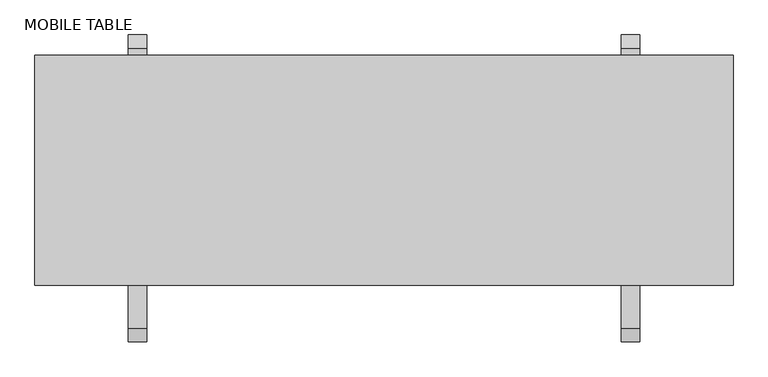
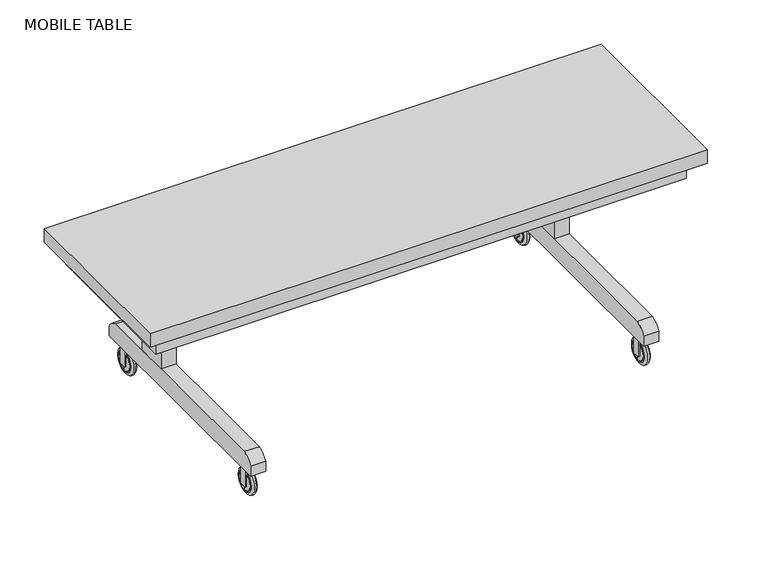
"""IFC4 building model written with IfcOpenShell, lengths in millimetres: proxy geometry, MOBILE TABLE."""

from ifc_helpers import new_model, si_unit, point, frame, frame_2d, origin, place, context, project, spatial, polyline, circle_curve, ellipse_curve, trimmed, segment, composite_curve, outline, extrude, source, transform, mapped, element, save
from ifc_brep_helpers import plane_surface, revolved_surface, advanced_brep


def mobile_table_4cd236bb(model_context):
    return source(origin(), model_context, "Body", "SolidModel", [
        extrude(outline(polyline([(284.5246761, -5.5939824), (284.5246761, -132.5939824), (226.5605315, -132.5939824), (226.5605315, -5.5939824), (284.5246761, -5.5939824)])), frame((0.0, 0.0, 196.9224342), z_axis=(0.0, 0.0, 1.0), x_axis=(1.0, 0.0, 0.0)), (0.0, 0.0, 1.0), 371.1429789),
        extrude(outline(polyline([(1808.5781928, -5.5939824), (1808.5781928, -132.5939824), (1750.6140482, -132.5939824), (1750.6140482, -5.5939824), (1808.5781928, -5.5939824)])), frame((0.0, 0.0, 196.9224342), z_axis=(0.0, 0.0, 1.0), x_axis=(1.0, 0.0, 0.0)), (0.0, 0.0, 1.0), 371.1429789),
        extrude(outline(composite_curve([segment(polyline([(216.0169439, 120.7224342), (-733.4720269, 120.7224342), (-733.4720269, 161.9653123)]), True, "CONTINUOUS"), segment(trimmed(circle_curve(frame_2d((-668.627118, 126.366821)), 73.973744), [point((-733.4720269, 161.9653123))], [point((-690.8536842, 196.9224342))], False, "CARTESIAN"), True, "CONTINUOUS"), segment(polyline([(-690.8536842, 196.9224342), (173.3986011, 196.9224342)]), True, "CONTINUOUS"), segment(trimmed(circle_curve(frame_2d((151.1720349, 126.366821)), 73.973744), [point((173.3986011, 196.9224342))], [point((216.0169439, 161.9653123))], False, "CARTESIAN"), True, "CONTINUOUS"), segment(polyline([(216.0169439, 161.9653123), (216.0169439, 120.7224342)]), True, "CONTINUOUS")], self_intersect=False)), frame((226.5605315, 0.0, 0.0), z_axis=(1.0, 0.0, 0.0), x_axis=(0.0, 1.0, 0.0)), (0.0, 0.0, 1.0), 57.9641446),
        extrude(outline(composite_curve([segment(polyline([(216.0169439, 120.7224342), (-733.4720269, 120.7224342), (-733.4720269, 161.9653123)]), True, "CONTINUOUS"), segment(trimmed(circle_curve(frame_2d((-668.627118, 126.366821)), 73.973744), [point((-733.4720269, 161.9653123))], [point((-690.8536842, 196.9224342))], False, "CARTESIAN"), True, "CONTINUOUS"), segment(polyline([(-690.8536842, 196.9224342), (173.3986011, 196.9224342)]), True, "CONTINUOUS"), segment(trimmed(circle_curve(frame_2d((151.1720349, 126.366821)), 73.973744), [point((173.3986011, 196.9224342))], [point((216.0169439, 161.9653123))], False, "CARTESIAN"), True, "CONTINUOUS"), segment(polyline([(216.0169439, 161.9653123), (216.0169439, 120.7224342)]), True, "CONTINUOUS")], self_intersect=False)), frame((1750.6140482, 0.0, 0.0), z_axis=(1.0, 0.0, 0.0), x_axis=(0.0, 1.0, 0.0)), (0.0, 0.0, 1.0), 57.9641446),
        extrude(outline(polyline([(2046.2693622, 101.7169439), (2046.2693622, -507.8830561), (-11.1306378, -507.8830561), (-11.1306378, 101.7169439), (2046.2693622, 101.7169439)])), frame((0.0, 0.0, 568.0654131), z_axis=(0.0, 0.0, 1.0), x_axis=(1.0, 0.0, 0.0)), (0.0, 0.0, 1.0), 76.2),
        extrude(outline(composite_curve([segment(polyline([(40.4886322, 1759.9334156), (40.4886322, 1766.2834156), (90.7346928, 1766.2834156)]), True, "CONTINUOUS"), segment(trimmed(circle_curve(frame_2d((90.7346928, 1767.7205501)), 1.4371345), [point((90.7346928, 1766.2834156))], [point((92.1718273, 1767.7205501))], True, "CARTESIAN"), True, "CONTINUOUS"), segment(trimmed(circle_curve(frame_2d((95.1971093, 1780.0019459)), 12.6485183), [point((92.1718273, 1767.7205501))], [point((107.8391155, 1779.5961205))], True, "CARTESIAN"), True, "CONTINUOUS"), segment(trimmed(circle_curve(frame_2d((95.3224342, 1776.0070199)), 13.0210965), [point((107.8391155, 1779.5961205))], [point((95.3224342, 1789.0281164))], True, "CARTESIAN"), True, "CONTINUOUS"), segment(polyline([(95.3224342, 1789.0281164), (40.4886322, 1789.0281164), (40.4886322, 1798.0334156), (120.7224342, 1798.0334156), (120.7224342, 1759.9334156), (40.4886322, 1759.9334156)]), True, "CONTINUOUS")], self_intersect=False)), frame((0.0, -679.3330561, 0.0), z_axis=(0.0, 1.0, 0.0), x_axis=(0.0, 0.0, 1.0)), (0.0, 0.0, 1.0), 30.1894562),
        advanced_brep(
        [(1767.7205501, -665.8414299, 13.5564837), (1767.7205501, -665.8414299, 95.7752557), (1767.7205501, -665.8414299, 92.1718273), (1767.7205501, -665.8414299, 17.1599122), (1774.2176202, -665.8414299, 2.6028962), (1774.2176202, -665.8414299, 106.7288433), (1782.2473592, -665.8414299, 2.6028962), (1782.2473592, -665.8414299, 106.7288433), (1766.2834156, -665.8414299, 18.5970467), (1766.2834156, -665.8414299, 90.7346928), (1766.2834156, -665.8414299, 54.6658697), (1788.7444294, -665.8414299, 13.5564837), (1788.7444294, -665.8414299, 95.7752557), (1788.7444294, -665.8414299, 54.6658697)],
        [
            (0, 1, circle_curve(frame((1767.7205501, -665.8414299, 54.6658697), z_axis=(-1.0, 0.0, 0.0), x_axis=(0.0, 0.0, 1.0)), 41.109386)),
            (1, 2),
            (2, 3, circle_curve(frame((1767.7205501, -665.8414299, 54.6658697), z_axis=(1.0, 0.0, 0.0), x_axis=(0.0, 0.0, 1.0)), 37.5059576)),
            (3, 0),
            (1, 0, circle_curve(frame((1767.7205501, -665.8414299, 54.6658697), z_axis=(-1.0, 0.0, 0.0), x_axis=(0.0, 0.0, 1.0)), 41.109386)),
            (3, 2, circle_curve(frame((1767.7205501, -665.8414299, 54.6658697), z_axis=(1.0, 0.0, 0.0), x_axis=(0.0, 0.0, 1.0)), 37.5059576)),
            (4, 5, circle_curve(frame((1774.2176202, -665.8414299, 54.6658697), z_axis=(-1.0, 0.0, 0.0), x_axis=(0.0, 0.0, 1.0)), 52.0629735)),
            (5, 1, circle_curve(frame((1780.202561, -665.8414299, 95.7752557), z_axis=(0.0, -1.0, 0.0), x_axis=(-1.0, 0.0, 0.0)), 12.4820108)),
            (0, 4, circle_curve(frame((1780.202561, -665.8414299, 13.5564837), z_axis=(0.0, -1.0, 0.0), x_axis=(-1.0, 0.0, 0.0)), 12.4820108)),
            (5, 4, circle_curve(frame((1774.2176202, -665.8414299, 54.6658697), z_axis=(-1.0, 0.0, 0.0), x_axis=(0.0, 0.0, 1.0)), 52.0629735)),
            (6, 7, circle_curve(frame((1782.2473592, -665.8414299, 54.6658697), z_axis=(-1.0, 0.0, 0.0), x_axis=(0.0, 0.0, 1.0)), 52.0629735)),
            (7, 5, circle_curve(frame((1778.2324897, -665.8414299, 98.8982307), z_axis=(0.0, -1.0, 0.0), x_axis=(-1.0, 0.0, 0.0)), 8.7998676)),
            (4, 6, circle_curve(frame((1778.2324897, -665.8414299, 10.4335088), z_axis=(0.0, -1.0, 0.0), x_axis=(-1.0, 0.0, 0.0)), 8.7998676)),
            (7, 6, circle_curve(frame((1782.2473592, -665.8414299, 54.6658697), z_axis=(-1.0, 0.0, 0.0), x_axis=(0.0, 0.0, 1.0)), 52.0629735)),
            (8, 9, circle_curve(frame((1766.2834156, -665.8414299, 54.6658697), z_axis=(-1.0, 0.0, 0.0), x_axis=(0.0, 0.0, 1.0)), 36.068823)),
            (9, 10),
            (10, 8),
            (9, 8, circle_curve(frame((1766.2834156, -665.8414299, 54.6658697), z_axis=(-1.0, 0.0, 0.0), x_axis=(0.0, 0.0, 1.0)), 36.068823)),
            (2, 9, circle_curve(frame((1768.5698615, -665.8414299, 89.8853814), z_axis=(0.0, -1.0, 0.0), x_axis=(-1.0, 0.0, 0.0)), 2.4390909)),
            (8, 3, circle_curve(frame((1768.5698615, -665.8414299, 19.446358), z_axis=(0.0, -1.0, 0.0), x_axis=(-1.0, 0.0, 0.0)), 2.4390909)),
            (11, 12, circle_curve(frame((1788.7444294, -665.8414299, 54.6658697), z_axis=(-1.0, 0.0, 0.0), x_axis=(0.0, 0.0, 1.0)), 41.109386)),
            (12, 7, circle_curve(frame((1776.2624185, -665.8414299, 95.7752557), z_axis=(0.0, -1.0, 0.0), x_axis=(-1.0, 0.0, 0.0)), 12.4820108)),
            (6, 11, circle_curve(frame((1776.2624185, -665.8414299, 13.5564837), z_axis=(0.0, -1.0, 0.0), x_axis=(-1.0, 0.0, 0.0)), 12.4820108)),
            (12, 11, circle_curve(frame((1788.7444294, -665.8414299, 54.6658697), z_axis=(-1.0, 0.0, 0.0), x_axis=(0.0, 0.0, 1.0)), 41.109386)),
            (13, 12),
            (11, 13),
        ],
        [
            plane_surface(frame((1767.7205501, -665.8414299, 54.6658697), z_axis=(-1.0, 0.0, 0.0), x_axis=(0.0, 0.0, 1.0))),
            revolved_surface(trimmed(ellipse_curve(frame((1780.202561, -665.8414299, 95.7752557), z_axis=(0.0, 1.0, 0.0), x_axis=(-1.0, 0.0, 0.0)), 12.4820108, 12.4820108), [point((1767.7205501, -665.8414299, 95.7752557))], [point((1774.2176202, -665.8414299, 106.7288433))], True, "CARTESIAN"), (1785.5276168, -665.8414299, 54.6658697), (1.0, 0.0, 0.0)),
            revolved_surface(trimmed(ellipse_curve(frame((1778.2324897, -665.8414299, 98.8982307), z_axis=(0.0, 1.0, 0.0), x_axis=(-1.0, 0.0, 0.0)), 8.7998676, 8.7998676), [point((1774.2176202, -665.8414299, 106.7288433))], [point((1782.2473592, -665.8414299, 106.7288433))], True, "CARTESIAN"), (1785.5276168, -665.8414299, 54.6658697), (1.0, 0.0, 0.0)),
            plane_surface(frame((1766.2834156, -665.8414299, 54.6658697), z_axis=(-1.0, 0.0, 0.0), x_axis=(0.0, 0.0, 1.0))),
            revolved_surface(trimmed(ellipse_curve(frame((1768.5698615, -665.8414299, 89.8853814), z_axis=(0.0, 1.0, 0.0), x_axis=(-1.0, 0.0, 0.0)), 2.4390909, 2.4390909), [point((1766.2834156, -665.8414299, 90.7346928))], [point((1767.7205501, -665.8414299, 92.1718273))], True, "CARTESIAN"), (1785.5276168, -665.8414299, 54.6658697), (1.0, 0.0, 0.0)),
            revolved_surface(trimmed(ellipse_curve(frame((1776.2624185, -665.8414299, 95.7752557), z_axis=(0.0, 1.0, 0.0), x_axis=(-1.0, 0.0, 0.0)), 12.4820108, 12.4820108), [point((1782.2473592, -665.8414299, 106.7288433))], [point((1788.7444294, -665.8414299, 95.7752557))], True, "CARTESIAN"), (1785.5276168, -665.8414299, 54.6658697), (1.0, 0.0, 0.0)),
            plane_surface(frame((1788.7444294, -665.8414299, 54.6658697), z_axis=(1.0, 0.0, 0.0), x_axis=(0.0, 0.0, 1.0))),
        ],
        [
            (0, [[1, 2, 3, 4]]),
            (0, [[5, -4, 6, -2]]),
            (1, [[7, 8, -1, 9]]),
            (1, [[10, -9, -5, -8]]),
            (2, [[11, 12, -7, 13]]),
            (2, [[14, -13, -10, -12]]),
            (3, [[15, 16, 17]]),
            (3, [[18, -17, -16]]),
            (4, [[-3, 19, -15, 20]]),
            (4, [[-6, -20, -18, -19]]),
            (5, [[21, 22, -11, 23]]),
            (5, [[24, -23, -14, -22]]),
            (6, [[25, -21, 26]]),
            (6, [[-26, -24, -25]]),
        ],
    ),
        extrude(outline(composite_curve([segment(polyline([(40.4886322, 1759.9334156), (40.4886322, 1766.2834156), (90.7346928, 1766.2834156)]), True, "CONTINUOUS"), segment(trimmed(circle_curve(frame_2d((90.7346928, 1767.7205501)), 1.4371345), [point((90.7346928, 1766.2834156))], [point((92.1718273, 1767.7205501))], True, "CARTESIAN"), True, "CONTINUOUS"), segment(trimmed(circle_curve(frame_2d((95.1971093, 1780.0019459)), 12.6485183), [point((92.1718273, 1767.7205501))], [point((107.8391155, 1779.5961205))], True, "CARTESIAN"), True, "CONTINUOUS"), segment(trimmed(circle_curve(frame_2d((95.3224342, 1776.0070199)), 13.0210965), [point((107.8391155, 1779.5961205))], [point((95.3224342, 1789.0281164))], True, "CARTESIAN"), True, "CONTINUOUS"), segment(polyline([(95.3224342, 1789.0281164), (40.4886322, 1789.0281164), (40.4886322, 1798.0334156), (120.7224342, 1798.0334156), (120.7224342, 1759.9334156), (40.4886322, 1759.9334156)]), True, "CONTINUOUS")], self_intersect=False)), frame((0.0, 129.8981041, 0.0), z_axis=(0.0, 1.0, 0.0), x_axis=(0.0, 0.0, 1.0)), (0.0, 0.0, 1.0), 30.1894562),
        advanced_brep(
        [(1767.7205501, 143.3897303, 13.5564837), (1767.7205501, 143.3897303, 95.7752557), (1767.7205501, 143.3897303, 92.1718273), (1767.7205501, 143.3897303, 17.1599122), (1774.2176202, 143.3897303, 2.6028962), (1774.2176202, 143.3897303, 106.7288433), (1782.2473592, 143.3897303, 2.6028962), (1782.2473592, 143.3897303, 106.7288433), (1766.2834156, 143.3897303, 18.5970467), (1766.2834156, 143.3897303, 90.7346928), (1766.2834156, 143.3897303, 54.6658697), (1788.7444294, 143.3897303, 13.5564837), (1788.7444294, 143.3897303, 95.7752557), (1788.7444294, 143.3897303, 54.6658697)],
        [
            (0, 1, circle_curve(frame((1767.7205501, 143.3897303, 54.6658697), z_axis=(-1.0, 0.0, 0.0), x_axis=(0.0, 0.0, 1.0)), 41.109386)),
            (1, 2),
            (2, 3, circle_curve(frame((1767.7205501, 143.3897303, 54.6658697), z_axis=(1.0, 0.0, 0.0), x_axis=(0.0, 0.0, 1.0)), 37.5059576)),
            (3, 0),
            (1, 0, circle_curve(frame((1767.7205501, 143.3897303, 54.6658697), z_axis=(-1.0, 0.0, 0.0), x_axis=(0.0, 0.0, 1.0)), 41.109386)),
            (3, 2, circle_curve(frame((1767.7205501, 143.3897303, 54.6658697), z_axis=(1.0, 0.0, 0.0), x_axis=(0.0, 0.0, 1.0)), 37.5059576)),
            (4, 5, circle_curve(frame((1774.2176202, 143.3897303, 54.6658697), z_axis=(-1.0, 0.0, 0.0), x_axis=(0.0, 0.0, 1.0)), 52.0629735)),
            (5, 1, circle_curve(frame((1780.202561, 143.3897303, 95.7752557), z_axis=(0.0, -1.0, 0.0), x_axis=(-1.0, 0.0, 0.0)), 12.4820108)),
            (0, 4, circle_curve(frame((1780.202561, 143.3897303, 13.5564837), z_axis=(0.0, -1.0, 0.0), x_axis=(-1.0, 0.0, 0.0)), 12.4820108)),
            (5, 4, circle_curve(frame((1774.2176202, 143.3897303, 54.6658697), z_axis=(-1.0, 0.0, 0.0), x_axis=(0.0, 0.0, 1.0)), 52.0629735)),
            (6, 7, circle_curve(frame((1782.2473592, 143.3897303, 54.6658697), z_axis=(-1.0, 0.0, 0.0), x_axis=(0.0, 0.0, 1.0)), 52.0629735)),
            (7, 5, circle_curve(frame((1778.2324897, 143.3897303, 98.8982307), z_axis=(0.0, -1.0, 0.0), x_axis=(-1.0, 0.0, 0.0)), 8.7998676)),
            (4, 6, circle_curve(frame((1778.2324897, 143.3897303, 10.4335088), z_axis=(0.0, -1.0, 0.0), x_axis=(-1.0, 0.0, 0.0)), 8.7998676)),
            (7, 6, circle_curve(frame((1782.2473592, 143.3897303, 54.6658697), z_axis=(-1.0, 0.0, 0.0), x_axis=(0.0, 0.0, 1.0)), 52.0629735)),
            (8, 9, circle_curve(frame((1766.2834156, 143.3897303, 54.6658697), z_axis=(-1.0, 0.0, 0.0), x_axis=(0.0, 0.0, 1.0)), 36.068823)),
            (9, 10),
            (10, 8),
            (9, 8, circle_curve(frame((1766.2834156, 143.3897303, 54.6658697), z_axis=(-1.0, 0.0, 0.0), x_axis=(0.0, 0.0, 1.0)), 36.068823)),
            (2, 9, circle_curve(frame((1768.5698615, 143.3897303, 89.8853814), z_axis=(0.0, -1.0, 0.0), x_axis=(-1.0, 0.0, 0.0)), 2.4390909)),
            (8, 3, circle_curve(frame((1768.5698615, 143.3897303, 19.446358), z_axis=(0.0, -1.0, 0.0), x_axis=(-1.0, 0.0, 0.0)), 2.4390909)),
            (11, 12, circle_curve(frame((1788.7444294, 143.3897303, 54.6658697), z_axis=(-1.0, 0.0, 0.0), x_axis=(0.0, 0.0, 1.0)), 41.109386)),
            (12, 7, circle_curve(frame((1776.2624185, 143.3897303, 95.7752557), z_axis=(0.0, -1.0, 0.0), x_axis=(-1.0, 0.0, 0.0)), 12.4820108)),
            (6, 11, circle_curve(frame((1776.2624185, 143.3897303, 13.5564837), z_axis=(0.0, -1.0, 0.0), x_axis=(-1.0, 0.0, 0.0)), 12.4820108)),
            (12, 11, circle_curve(frame((1788.7444294, 143.3897303, 54.6658697), z_axis=(-1.0, 0.0, 0.0), x_axis=(0.0, 0.0, 1.0)), 41.109386)),
            (13, 12),
            (11, 13),
        ],
        [
            plane_surface(frame((1767.7205501, 143.3897303, 54.6658697), z_axis=(-1.0, 0.0, 0.0), x_axis=(0.0, 0.0, 1.0))),
            revolved_surface(trimmed(ellipse_curve(frame((1780.202561, 143.3897303, 95.7752557), z_axis=(0.0, 1.0, 0.0), x_axis=(-1.0, 0.0, 0.0)), 12.4820108, 12.4820108), [point((1767.7205501, 143.3897303, 95.7752557))], [point((1774.2176202, 143.3897303, 106.7288433))], True, "CARTESIAN"), (1785.5276168, 143.3897303, 54.6658697), (1.0, 0.0, 0.0)),
            revolved_surface(trimmed(ellipse_curve(frame((1778.2324897, 143.3897303, 98.8982307), z_axis=(0.0, 1.0, 0.0), x_axis=(-1.0, 0.0, 0.0)), 8.7998676, 8.7998676), [point((1774.2176202, 143.3897303, 106.7288433))], [point((1782.2473592, 143.3897303, 106.7288433))], True, "CARTESIAN"), (1785.5276168, 143.3897303, 54.6658697), (1.0, 0.0, 0.0)),
            plane_surface(frame((1766.2834156, 143.3897303, 54.6658697), z_axis=(-1.0, 0.0, 0.0), x_axis=(0.0, 0.0, 1.0))),
            revolved_surface(trimmed(ellipse_curve(frame((1768.5698615, 143.3897303, 89.8853814), z_axis=(0.0, 1.0, 0.0), x_axis=(-1.0, 0.0, 0.0)), 2.4390909, 2.4390909), [point((1766.2834156, 143.3897303, 90.7346928))], [point((1767.7205501, 143.3897303, 92.1718273))], True, "CARTESIAN"), (1785.5276168, 143.3897303, 54.6658697), (1.0, 0.0, 0.0)),
            revolved_surface(trimmed(ellipse_curve(frame((1776.2624185, 143.3897303, 95.7752557), z_axis=(0.0, 1.0, 0.0), x_axis=(-1.0, 0.0, 0.0)), 12.4820108, 12.4820108), [point((1782.2473592, 143.3897303, 106.7288433))], [point((1788.7444294, 143.3897303, 95.7752557))], True, "CARTESIAN"), (1785.5276168, 143.3897303, 54.6658697), (1.0, 0.0, 0.0)),
            plane_surface(frame((1788.7444294, 143.3897303, 54.6658697), z_axis=(1.0, 0.0, 0.0), x_axis=(0.0, 0.0, 1.0))),
        ],
        [
            (0, [[1, 2, 3, 4]]),
            (0, [[5, -4, 6, -2]]),
            (1, [[7, 8, -1, 9]]),
            (1, [[10, -9, -5, -8]]),
            (2, [[11, 12, -7, 13]]),
            (2, [[14, -13, -10, -12]]),
            (3, [[15, 16, 17]]),
            (3, [[18, -17, -16]]),
            (4, [[-3, 19, -15, 20]]),
            (4, [[-6, -20, -18, -19]]),
            (5, [[21, 22, -11, 23]]),
            (5, [[24, -23, -14, -22]]),
            (6, [[25, -21, 26]]),
            (6, [[-26, -24, -25]]),
        ],
    ),
        extrude(outline(composite_curve([segment(polyline([(40.4886322, 235.8798989), (40.4886322, 242.2298989), (90.7346928, 242.2298989)]), True, "CONTINUOUS"), segment(trimmed(circle_curve(frame_2d((90.7346928, 243.6670335)), 1.4371345), [point((90.7346928, 242.2298989))], [point((92.1718273, 243.6670335))], True, "CARTESIAN"), True, "CONTINUOUS"), segment(trimmed(circle_curve(frame_2d((95.1971093, 255.9484293)), 12.6485183), [point((92.1718273, 243.6670335))], [point((107.8391155, 255.5426038))], True, "CARTESIAN"), True, "CONTINUOUS"), segment(trimmed(circle_curve(frame_2d((95.3224342, 251.9535032)), 13.0210965), [point((107.8391155, 255.5426038))], [point((95.3224342, 264.9745997))], True, "CARTESIAN"), True, "CONTINUOUS"), segment(polyline([(95.3224342, 264.9745997), (40.4886322, 264.9745997), (40.4886322, 273.9798989), (120.7224342, 273.9798989), (120.7224342, 235.8798989), (40.4886322, 235.8798989)]), True, "CONTINUOUS")], self_intersect=False)), frame((0.0, -679.3330561, 0.0), z_axis=(0.0, 1.0, 0.0), x_axis=(0.0, 0.0, 1.0)), (0.0, 0.0, 1.0), 30.1894562),
        advanced_brep(
        [(243.6670335, -665.8414299, 13.5564837), (243.6670335, -665.8414299, 95.7752557), (243.6670335, -665.8414299, 92.1718273), (243.6670335, -665.8414299, 17.1599122), (250.1641036, -665.8414299, 2.6028962), (250.1641036, -665.8414299, 106.7288433), (258.1938426, -665.8414299, 2.6028962), (258.1938426, -665.8414299, 106.7288433), (242.2298989, -665.8414299, 18.5970467), (242.2298989, -665.8414299, 90.7346928), (242.2298989, -665.8414299, 54.6658697), (264.6909127, -665.8414299, 13.5564837), (264.6909127, -665.8414299, 95.7752557), (264.6909127, -665.8414299, 54.6658697)],
        [
            (0, 1, circle_curve(frame((243.6670335, -665.8414299, 54.6658697), z_axis=(-1.0, 0.0, 0.0), x_axis=(0.0, 0.0, 1.0)), 41.109386)),
            (1, 2),
            (2, 3, circle_curve(frame((243.6670335, -665.8414299, 54.6658697), z_axis=(1.0, 0.0, 0.0), x_axis=(0.0, 0.0, 1.0)), 37.5059576)),
            (3, 0),
            (1, 0, circle_curve(frame((243.6670335, -665.8414299, 54.6658697), z_axis=(-1.0, 0.0, 0.0), x_axis=(0.0, 0.0, 1.0)), 41.109386)),
            (3, 2, circle_curve(frame((243.6670335, -665.8414299, 54.6658697), z_axis=(1.0, 0.0, 0.0), x_axis=(0.0, 0.0, 1.0)), 37.5059576)),
            (4, 5, circle_curve(frame((250.1641036, -665.8414299, 54.6658697), z_axis=(-1.0, 0.0, 0.0), x_axis=(0.0, 0.0, 1.0)), 52.0629735)),
            (5, 1, circle_curve(frame((256.1490443, -665.8414299, 95.7752557), z_axis=(0.0, -1.0, 0.0), x_axis=(-1.0, 0.0, 0.0)), 12.4820108)),
            (0, 4, circle_curve(frame((256.1490443, -665.8414299, 13.5564837), z_axis=(0.0, -1.0, 0.0), x_axis=(-1.0, 0.0, 0.0)), 12.4820108)),
            (5, 4, circle_curve(frame((250.1641036, -665.8414299, 54.6658697), z_axis=(-1.0, 0.0, 0.0), x_axis=(0.0, 0.0, 1.0)), 52.0629735)),
            (6, 7, circle_curve(frame((258.1938426, -665.8414299, 54.6658697), z_axis=(-1.0, 0.0, 0.0), x_axis=(0.0, 0.0, 1.0)), 52.0629735)),
            (7, 5, circle_curve(frame((254.1789731, -665.8414299, 98.8982307), z_axis=(0.0, -1.0, 0.0), x_axis=(-1.0, 0.0, 0.0)), 8.7998676)),
            (4, 6, circle_curve(frame((254.1789731, -665.8414299, 10.4335088), z_axis=(0.0, -1.0, 0.0), x_axis=(-1.0, 0.0, 0.0)), 8.7998676)),
            (7, 6, circle_curve(frame((258.1938426, -665.8414299, 54.6658697), z_axis=(-1.0, 0.0, 0.0), x_axis=(0.0, 0.0, 1.0)), 52.0629735)),
            (8, 9, circle_curve(frame((242.2298989, -665.8414299, 54.6658697), z_axis=(-1.0, 0.0, 0.0), x_axis=(0.0, 0.0, 1.0)), 36.068823)),
            (9, 10),
            (10, 8),
            (9, 8, circle_curve(frame((242.2298989, -665.8414299, 54.6658697), z_axis=(-1.0, 0.0, 0.0), x_axis=(0.0, 0.0, 1.0)), 36.068823)),
            (2, 9, circle_curve(frame((244.5163448, -665.8414299, 89.8853814), z_axis=(0.0, -1.0, 0.0), x_axis=(-1.0, 0.0, 0.0)), 2.4390909)),
            (8, 3, circle_curve(frame((244.5163448, -665.8414299, 19.446358), z_axis=(0.0, -1.0, 0.0), x_axis=(-1.0, 0.0, 0.0)), 2.4390909)),
            (11, 12, circle_curve(frame((264.6909127, -665.8414299, 54.6658697), z_axis=(-1.0, 0.0, 0.0), x_axis=(0.0, 0.0, 1.0)), 41.109386)),
            (12, 7, circle_curve(frame((252.2089019, -665.8414299, 95.7752557), z_axis=(0.0, -1.0, 0.0), x_axis=(-1.0, 0.0, 0.0)), 12.4820108)),
            (6, 11, circle_curve(frame((252.2089019, -665.8414299, 13.5564837), z_axis=(0.0, -1.0, 0.0), x_axis=(-1.0, 0.0, 0.0)), 12.4820108)),
            (12, 11, circle_curve(frame((264.6909127, -665.8414299, 54.6658697), z_axis=(-1.0, 0.0, 0.0), x_axis=(0.0, 0.0, 1.0)), 41.109386)),
            (13, 12),
            (11, 13),
        ],
        [
            plane_surface(frame((243.6670335, -665.8414299, 54.6658697), z_axis=(-1.0, 0.0, 0.0), x_axis=(0.0, 0.0, 1.0))),
            revolved_surface(trimmed(ellipse_curve(frame((256.1490443, -665.8414299, 95.7752557), z_axis=(0.0, 1.0, 0.0), x_axis=(-1.0, 0.0, 0.0)), 12.4820108, 12.4820108), [point((243.6670335, -665.8414299, 95.7752557))], [point((250.1641036, -665.8414299, 106.7288433))], True, "CARTESIAN"), (261.4741002, -665.8414299, 54.6658697), (1.0, 0.0, 0.0)),
            revolved_surface(trimmed(ellipse_curve(frame((254.1789731, -665.8414299, 98.8982307), z_axis=(0.0, 1.0, 0.0), x_axis=(-1.0, 0.0, 0.0)), 8.7998676, 8.7998676), [point((250.1641036, -665.8414299, 106.7288433))], [point((258.1938426, -665.8414299, 106.7288433))], True, "CARTESIAN"), (261.4741002, -665.8414299, 54.6658697), (1.0, 0.0, 0.0)),
            plane_surface(frame((242.2298989, -665.8414299, 54.6658697), z_axis=(-1.0, 0.0, 0.0), x_axis=(0.0, 0.0, 1.0))),
            revolved_surface(trimmed(ellipse_curve(frame((244.5163448, -665.8414299, 89.8853814), z_axis=(0.0, 1.0, 0.0), x_axis=(-1.0, 0.0, 0.0)), 2.4390909, 2.4390909), [point((242.2298989, -665.8414299, 90.7346928))], [point((243.6670335, -665.8414299, 92.1718273))], True, "CARTESIAN"), (261.4741002, -665.8414299, 54.6658697), (1.0, 0.0, 0.0)),
            revolved_surface(trimmed(ellipse_curve(frame((252.2089019, -665.8414299, 95.7752557), z_axis=(0.0, 1.0, 0.0), x_axis=(-1.0, 0.0, 0.0)), 12.4820108, 12.4820108), [point((258.1938426, -665.8414299, 106.7288433))], [point((264.6909127, -665.8414299, 95.7752557))], True, "CARTESIAN"), (261.4741002, -665.8414299, 54.6658697), (1.0, 0.0, 0.0)),
            plane_surface(frame((264.6909127, -665.8414299, 54.6658697), z_axis=(1.0, 0.0, 0.0), x_axis=(0.0, 0.0, 1.0))),
        ],
        [
            (0, [[1, 2, 3, 4]]),
            (0, [[5, -4, 6, -2]]),
            (1, [[7, 8, -1, 9]]),
            (1, [[10, -9, -5, -8]]),
            (2, [[11, 12, -7, 13]]),
            (2, [[14, -13, -10, -12]]),
            (3, [[15, 16, 17]]),
            (3, [[18, -17, -16]]),
            (4, [[-3, 19, -15, 20]]),
            (4, [[-6, -20, -18, -19]]),
            (5, [[21, 22, -11, 23]]),
            (5, [[24, -23, -14, -22]]),
            (6, [[25, -21, 26]]),
            (6, [[-26, -24, -25]]),
        ],
    ),
        extrude(outline(composite_curve([segment(polyline([(40.4886322, 235.8798989), (40.4886322, 242.2298989), (90.7346928, 242.2298989)]), True, "CONTINUOUS"), segment(trimmed(circle_curve(frame_2d((90.7346928, 243.6670335)), 1.4371345), [point((90.7346928, 242.2298989))], [point((92.1718273, 243.6670335))], True, "CARTESIAN"), True, "CONTINUOUS"), segment(trimmed(circle_curve(frame_2d((95.1971093, 255.9484293)), 12.6485183), [point((92.1718273, 243.6670335))], [point((107.8391155, 255.5426038))], True, "CARTESIAN"), True, "CONTINUOUS"), segment(trimmed(circle_curve(frame_2d((95.3224342, 251.9535032)), 13.0210965), [point((107.8391155, 255.5426038))], [point((95.3224342, 264.9745997))], True, "CARTESIAN"), True, "CONTINUOUS"), segment(polyline([(95.3224342, 264.9745997), (40.4886322, 264.9745997), (40.4886322, 273.9798989), (120.7224342, 273.9798989), (120.7224342, 235.8798989), (40.4886322, 235.8798989)]), True, "CONTINUOUS")], self_intersect=False)), frame((0.0, 129.8981041, 0.0), z_axis=(0.0, 1.0, 0.0), x_axis=(0.0, 0.0, 1.0)), (0.0, 0.0, 1.0), 30.1894562),
        advanced_brep(
        [(243.6670335, 143.3897303, 13.5564837), (243.6670335, 143.3897303, 95.7752557), (243.6670335, 143.3897303, 92.1718273), (243.6670335, 143.3897303, 17.1599122), (250.1641036, 143.3897303, 2.6028962), (250.1641036, 143.3897303, 106.7288433), (258.1938426, 143.3897303, 2.6028962), (258.1938426, 143.3897303, 106.7288433), (242.2298989, 143.3897303, 18.5970467), (242.2298989, 143.3897303, 90.7346928), (242.2298989, 143.3897303, 54.6658697), (264.6909127, 143.3897303, 13.5564837), (264.6909127, 143.3897303, 95.7752557), (264.6909127, 143.3897303, 54.6658697)],
        [
            (0, 1, circle_curve(frame((243.6670335, 143.3897303, 54.6658697), z_axis=(-1.0, 0.0, 0.0), x_axis=(0.0, 0.0, 1.0)), 41.109386)),
            (1, 2),
            (2, 3, circle_curve(frame((243.6670335, 143.3897303, 54.6658697), z_axis=(1.0, 0.0, 0.0), x_axis=(0.0, 0.0, 1.0)), 37.5059576)),
            (3, 0),
            (1, 0, circle_curve(frame((243.6670335, 143.3897303, 54.6658697), z_axis=(-1.0, 0.0, 0.0), x_axis=(0.0, 0.0, 1.0)), 41.109386)),
            (3, 2, circle_curve(frame((243.6670335, 143.3897303, 54.6658697), z_axis=(1.0, 0.0, 0.0), x_axis=(0.0, 0.0, 1.0)), 37.5059576)),
            (4, 5, circle_curve(frame((250.1641036, 143.3897303, 54.6658697), z_axis=(-1.0, 0.0, 0.0), x_axis=(0.0, 0.0, 1.0)), 52.0629735)),
            (5, 1, circle_curve(frame((256.1490443, 143.3897303, 95.7752557), z_axis=(0.0, -1.0, 0.0), x_axis=(-1.0, 0.0, 0.0)), 12.4820108)),
            (0, 4, circle_curve(frame((256.1490443, 143.3897303, 13.5564837), z_axis=(0.0, -1.0, 0.0), x_axis=(-1.0, 0.0, 0.0)), 12.4820108)),
            (5, 4, circle_curve(frame((250.1641036, 143.3897303, 54.6658697), z_axis=(-1.0, 0.0, 0.0), x_axis=(0.0, 0.0, 1.0)), 52.0629735)),
            (6, 7, circle_curve(frame((258.1938426, 143.3897303, 54.6658697), z_axis=(-1.0, 0.0, 0.0), x_axis=(0.0, 0.0, 1.0)), 52.0629735)),
            (7, 5, circle_curve(frame((254.1789731, 143.3897303, 98.8982307), z_axis=(0.0, -1.0, 0.0), x_axis=(-1.0, 0.0, 0.0)), 8.7998676)),
            (4, 6, circle_curve(frame((254.1789731, 143.3897303, 10.4335088), z_axis=(0.0, -1.0, 0.0), x_axis=(-1.0, 0.0, 0.0)), 8.7998676)),
            (7, 6, circle_curve(frame((258.1938426, 143.3897303, 54.6658697), z_axis=(-1.0, 0.0, 0.0), x_axis=(0.0, 0.0, 1.0)), 52.0629735)),
            (8, 9, circle_curve(frame((242.2298989, 143.3897303, 54.6658697), z_axis=(-1.0, 0.0, 0.0), x_axis=(0.0, 0.0, 1.0)), 36.068823)),
            (9, 10),
            (10, 8),
            (9, 8, circle_curve(frame((242.2298989, 143.3897303, 54.6658697), z_axis=(-1.0, 0.0, 0.0), x_axis=(0.0, 0.0, 1.0)), 36.068823)),
            (2, 9, circle_curve(frame((244.5163448, 143.3897303, 89.8853814), z_axis=(0.0, -1.0, 0.0), x_axis=(-1.0, 0.0, 0.0)), 2.4390909)),
            (8, 3, circle_curve(frame((244.5163448, 143.3897303, 19.446358), z_axis=(0.0, -1.0, 0.0), x_axis=(-1.0, 0.0, 0.0)), 2.4390909)),
            (11, 12, circle_curve(frame((264.6909127, 143.3897303, 54.6658697), z_axis=(-1.0, 0.0, 0.0), x_axis=(0.0, 0.0, 1.0)), 41.109386)),
            (12, 7, circle_curve(frame((252.2089019, 143.3897303, 95.7752557), z_axis=(0.0, -1.0, 0.0), x_axis=(-1.0, 0.0, 0.0)), 12.4820108)),
            (6, 11, circle_curve(frame((252.2089019, 143.3897303, 13.5564837), z_axis=(0.0, -1.0, 0.0), x_axis=(-1.0, 0.0, 0.0)), 12.4820108)),
            (12, 11, circle_curve(frame((264.6909127, 143.3897303, 54.6658697), z_axis=(-1.0, 0.0, 0.0), x_axis=(0.0, 0.0, 1.0)), 41.109386)),
            (13, 12),
            (11, 13),
        ],
        [
            plane_surface(frame((243.6670335, 143.3897303, 54.6658697), z_axis=(-1.0, 0.0, 0.0), x_axis=(0.0, 0.0, 1.0))),
            revolved_surface(trimmed(ellipse_curve(frame((256.1490443, 143.3897303, 95.7752557), z_axis=(0.0, 1.0, 0.0), x_axis=(-1.0, 0.0, 0.0)), 12.4820108, 12.4820108), [point((243.6670335, 143.3897303, 95.7752557))], [point((250.1641036, 143.3897303, 106.7288433))], True, "CARTESIAN"), (261.4741002, 143.3897303, 54.6658697), (1.0, 0.0, 0.0)),
            revolved_surface(trimmed(ellipse_curve(frame((254.1789731, 143.3897303, 98.8982307), z_axis=(0.0, 1.0, 0.0), x_axis=(-1.0, 0.0, 0.0)), 8.7998676, 8.7998676), [point((250.1641036, 143.3897303, 106.7288433))], [point((258.1938426, 143.3897303, 106.7288433))], True, "CARTESIAN"), (261.4741002, 143.3897303, 54.6658697), (1.0, 0.0, 0.0)),
            plane_surface(frame((242.2298989, 143.3897303, 54.6658697), z_axis=(-1.0, 0.0, 0.0), x_axis=(0.0, 0.0, 1.0))),
            revolved_surface(trimmed(ellipse_curve(frame((244.5163448, 143.3897303, 89.8853814), z_axis=(0.0, 1.0, 0.0), x_axis=(-1.0, 0.0, 0.0)), 2.4390909, 2.4390909), [point((242.2298989, 143.3897303, 90.7346928))], [point((243.6670335, 143.3897303, 92.1718273))], True, "CARTESIAN"), (261.4741002, 143.3897303, 54.6658697), (1.0, 0.0, 0.0)),
            revolved_surface(trimmed(ellipse_curve(frame((252.2089019, 143.3897303, 95.7752557), z_axis=(0.0, 1.0, 0.0), x_axis=(-1.0, 0.0, 0.0)), 12.4820108, 12.4820108), [point((258.1938426, 143.3897303, 106.7288433))], [point((264.6909127, 143.3897303, 95.7752557))], True, "CARTESIAN"), (261.4741002, 143.3897303, 54.6658697), (1.0, 0.0, 0.0)),
            plane_surface(frame((264.6909127, 143.3897303, 54.6658697), z_axis=(1.0, 0.0, 0.0), x_axis=(0.0, 0.0, 1.0))),
        ],
        [
            (0, [[1, 2, 3, 4]]),
            (0, [[5, -4, 6, -2]]),
            (1, [[7, 8, -1, 9]]),
            (1, [[10, -9, -5, -8]]),
            (2, [[11, 12, -7, 13]]),
            (2, [[14, -13, -10, -12]]),
            (3, [[15, 16, 17]]),
            (3, [[18, -17, -16]]),
            (4, [[-3, 19, -15, 20]]),
            (4, [[-6, -20, -18, -19]]),
            (5, [[21, 22, -11, 23]]),
            (5, [[24, -23, -14, -22]]),
            (6, [[25, -21, 26]]),
            (6, [[-26, -24, -25]]),
        ],
    ),
        extrude(outline(polyline([(2097.0693622, 152.5169439), (2097.0693622, -558.6830561), (-61.9306378, -558.6830561), (-61.9306378, 152.5169439), (2097.0693622, 152.5169439)])), frame((0.0, 0.0, 644.2654131), z_axis=(0.0, 0.0, 1.0), x_axis=(1.0, 0.0, 0.0)), (0.0, 0.0, 1.0), 55.5045869),
    ])


if __name__ == "__main__":
    model = new_model("IFC4")
    model_context = context("Model", 3, world=origin())
    ifc_project = project(units=[si_unit("LENGTHUNIT", "METRE", prefix="MILLI")], contexts=[model_context])
    site = spatial("IfcSite", under=ifc_project)
    building = spatial("IfcBuilding", under=site)
    placement = place(None, origin())
    mobile_table_shape = mobile_table_4cd236bb(model_context)
    element("IfcBuildingElementProxy", 1, Name="MOBILE TABLE", ObjectType="MOBILE TABLE", at=placement, inside=building, context=model_context, shape_type="MappedRepresentation", body=[
        mapped(mobile_table_shape, transform((0.0, 0.0, 0.0), x_axis=(1.0, 0.0, 0.0), y_axis=(0.0, 1.0, 0.0), z_axis=(0.0, 0.0, 1.0))),
    ])
    save(model, "model.ifc")
